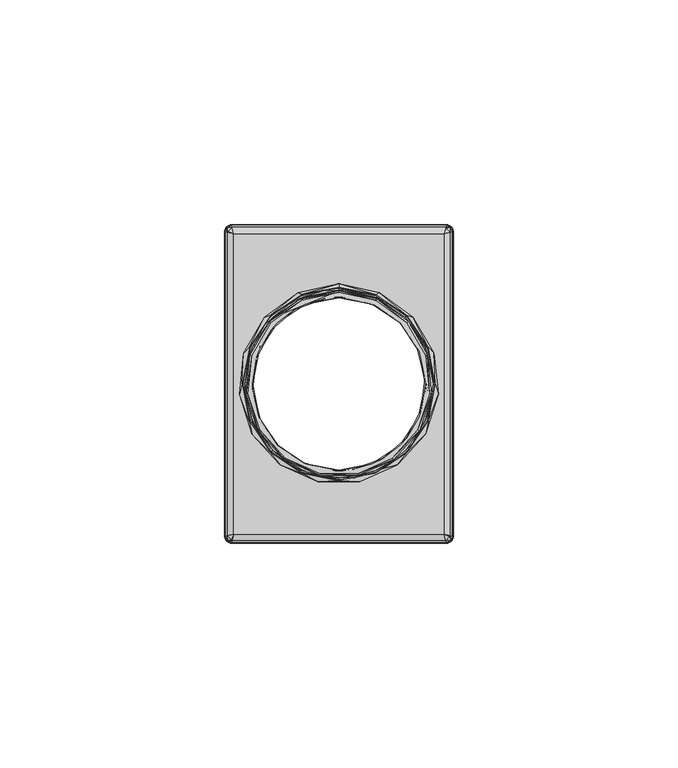
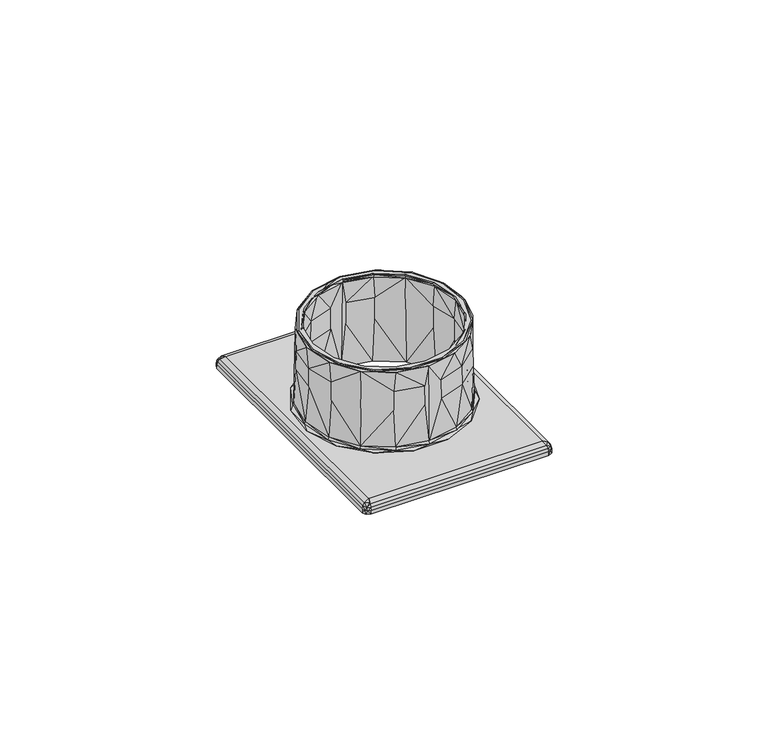
"""IFC4 building model written with IfcOpenShell, lengths in millimetres: furniture geometry."""

from ifc_helpers import new_model, si_unit, origin, place, context, project, spatial, triangles, source, transform, mapped, element, save


def furniture_6248b655(model_context):
    return source(origin(), model_context, "Body", "Tessellation", [
        triangles([(3230.5408304, 1910.584134, 765.1670305), (3230.5408304, 1910.5931451, 765.5000044), (3227.4238331, 1910.3281177, 765.0710335), (3223.1668255, 1909.1271372, 765.5000044), (3220.8238363, 1907.9521362, 765.0710335), (3216.9148452, 1904.9511203, 765.5000044), (3215.5128233, 1903.3701485, 765.0710335), (3212.7348315, 1898.7011384, 765.5000044), (3212.1928588, 1897.1911288, 765.0710335), (3211.2648267, 1891.3271336, 765.5000044), (3211.30683, 1890.2321423, 765.0710335), (3212.7278552, 1883.9511303, 765.5000044), (3212.9698462, 1883.4181323, 765.0710335), (3216.9008563, 1877.6961342, 765.5000044), (3216.9628438, 1877.6501341, 765.0710335), (3222.7558405, 1873.6951429, 765.0710335), (3216.9228389, 1877.7111406, 764.4999928), (3223.1628287, 1873.5371221, 764.4999928), (3229.5808236, 1872.0761284, 765.0710335), (3230.5408304, 1872.0581426, 764.8329666), (3230.5408304, 1872.0501489, 765.1670305), (3230.5408304, 1872.0411378, 765.5000044), (3223.1508381, 1873.514122, 765.5000044), (3230.5408304, 1872.0671173, 764.4999928), (3212.7548521, 1883.9541461, 764.4999928), (3211.2908426, 1891.3171415, 764.4999928), (3212.7548521, 1898.6801368, 764.4999928), (3216.9228389, 1904.9231424, 764.4999928), (3223.1628287, 1909.0971245, 764.4999928), (3230.5408304, 1910.5671292, 764.4999928), (3230.5408304, 1910.5761403, 764.8329666), (3233.6578276, 1872.3061289, 765.0710335), (3237.9148352, 1873.5071457, 765.5000044), (3240.2578245, 1874.6821467, 765.0710335), (3244.1668519, 1877.6831263, 765.5000044), (3245.5688375, 1879.2641344, 765.0710335), (3248.3468293, 1883.9331445, 765.5000044), (3248.8888384, 1885.4431177, 765.0710335), (3249.816834, 1891.3071493, 765.5000044), (3249.7748308, 1892.4021406, 765.0710335), (3248.3538419, 1898.6831163, 765.5000044), (3248.1118509, 1899.2161142, 765.0710335), (3244.1808408, 1904.9381487, 765.5000044), (3244.1188533, 1904.9841488, 765.0710335), (3238.3258567, 1908.93914, 765.0710335), (3244.1588582, 1904.9231424, 764.4999928), (3237.9188321, 1909.0971245, 764.4999928), (3231.5008372, 1910.5581182, 765.0710335), (3237.9308226, 1909.1201245, 765.5000044), (3248.326845, 1898.6801368, 764.4999928), (3249.7908545, 1891.3171415, 764.4999928), (3248.326845, 1883.9541461, 764.4999928), (3244.1588582, 1877.7111406, 764.4999928), (3237.9188321, 1873.5371221, 764.4999928), (3205.0408244, 1857.3161282, 740.0000347), (3205.0688387, 1857.3441425, 741.0520054), (3205.0408244, 1925.3181184, 740.0000347), (3205.0688387, 1925.2901405, 741.0520054), (3238.8448293, 1909.9681469, 765.5000044), (3230.6138274, 1912.0861499, 765.3540104), (3230.5408304, 1911.7331191, 765.5000044), (3222.1268454, 1910.306135, 765.3540104), (3222.2368314, 1909.9681469, 765.5000044), (3215.1308335, 1905.2421272, 765.3540104), (3215.3688277, 1904.9781172, 765.5000044), (3210.7988305, 1897.7701269, 765.3540104), (3211.123847, 1897.6261314, 765.5000044), (3209.8808269, 1889.1831147, 765.3540104), (3210.2368372, 1889.1831147, 765.5000044), (3212.5358247, 1880.9641397, 765.3540104), (3212.8598239, 1881.1091163, 765.5000044), (3218.3028419, 1874.5361163, 765.3540104), (3218.5408361, 1874.8001264, 765.5000044), (3226.1868447, 1871.009115, 765.3540104), (3226.2958497, 1871.3471395, 765.5000044), (3234.8228365, 1870.994145, 765.3540104), (3234.7858474, 1871.3471395, 765.5000044), (3242.7188298, 1874.493132, 765.3540104), (3242.5408247, 1874.8001264, 765.5000044), (3248.508847, 1880.9001174, 765.3540104), (3248.2218369, 1881.1091163, 765.5000044), (3251.1928402, 1889.1091367, 765.3540104), (3250.8448236, 1889.1831147, 765.5000044), (3250.3048493, 1897.7001457, 765.3540104), (3249.9578501, 1897.6261314, 765.5000044), (3245.9998432, 1905.1871161, 765.3540104), (3245.7128331, 1904.9781172, 765.5000044), (3239.0218534, 1910.2761223, 765.3540104), (3238.5448476, 1910.6411436, 765.0089733), (3230.5408304, 1912.2331249, 765.0089733), (3222.5368495, 1910.6411436, 765.0089733), (3215.7508538, 1906.107118, 765.0089733), (3211.2168282, 1899.3211224, 765.0089733), (3209.6248469, 1891.3171415, 765.0089733), (3211.2168282, 1883.3131242, 765.0089733), (3215.7508538, 1876.5271285, 765.0089733), (3222.5368495, 1871.9931393, 765.0089733), (3230.5408304, 1870.4011216, 765.0089733), (3238.5448476, 1871.9931393, 765.0089733), (3245.3308433, 1876.5271285, 765.0089733), (3249.8648326, 1883.3131242, 765.0089733), (3251.4568502, 1891.3171415, 765.0089733), (3249.8648326, 1899.3211224, 765.0089733), (3245.3308433, 1906.107118, 765.0089733), (3230.5408304, 1870.2181386, 754.4960249), (3230.5408304, 1870.0341382, 743.9830038), (3233.9538488, 1870.4961376, 754.4960249), (3238.6858274, 1871.6541338, 743.9830038), (3241.1828407, 1873.0981227, 754.4960249), (3245.5898391, 1876.2681327, 743.9830038), (3246.9998548, 1878.1161304, 754.4960249), (3250.203838, 1883.1721444, 743.9830038), (3250.6358247, 1884.8841402, 754.4960249), (3251.8238336, 1891.3171415, 743.9830038), (3251.6068411, 1892.505114, 754.4960249), (3250.203838, 1899.4621385, 743.9830038), (3249.7848229, 1899.9681396, 754.4960249), (3245.5898391, 1906.3661139, 743.9830038), (3245.411834, 1906.2851232, 754.4960249), (3239.0668361, 1910.6171262, 754.4960249), (3239.0298471, 1910.5331197, 759.7520267), (3245.3468307, 1906.2201199, 759.7520267), (3231.5868421, 1912.2991456, 759.7520267), (3230.5408304, 1912.4161443, 754.4960249), (3231.5918563, 1912.3901284, 754.4960249), (3230.5408304, 1912.6001447, 743.9830038), (3238.6858274, 1910.9801491, 743.9830038), (3249.7008527, 1899.9311142, 759.7520267), (3251.5148409, 1892.5001361, 759.7520267), (3250.5478577, 1884.9121182, 759.7520267), (3246.9288562, 1878.17314, 759.7520267), (3241.1368406, 1873.177115, 759.7520267), (3233.9398235, 1870.5861394, 759.7520267), (3227.1278483, 1912.1381453, 754.4960249), (3222.3958334, 1910.9801491, 743.9830038), (3219.8988564, 1909.5361239, 754.4960249), (3215.491858, 1906.3661139, 743.9830038), (3214.0818423, 1904.5181162, 754.4960249), (3210.8778227, 1899.4621385, 743.9830038), (3210.445836, 1897.7501427, 754.4960249), (3209.2578272, 1891.3171415, 743.9830038), (3209.4748561, 1890.1291326, 754.4960249), (3210.8778227, 1883.1721444, 743.9830038), (3211.2968379, 1882.6661433, 754.4960249), (3215.491858, 1876.2681327, 743.9830038), (3215.6698268, 1876.3491234, 754.4960249), (3222.0148246, 1872.0171204, 754.4960249), (3222.05185, 1872.1011269, 759.7520267), (3215.7348301, 1876.4141267, 759.7520267), (3229.494855, 1870.3351373, 759.7520267), (3229.4898408, 1870.2441181, 754.4960249), (3222.3958334, 1871.6541338, 743.9830038), (3211.3808444, 1882.7031324, 759.7520267), (3209.5668563, 1890.1341468, 759.7520267), (3210.5338394, 1897.7221284, 759.7520267), (3214.1528409, 1904.4611429, 759.7520267), (3219.9448565, 1909.4571316, 759.7520267), (3227.1418373, 1912.0481435, 759.7520267), (3221.4778298, 1911.67313, 742.9999969), (3222.3188395, 1911.2651244, 743.2930023), (3230.5408304, 1913.60012, 742.9999969), (3230.5408304, 1912.8931501, 743.2930023), (3238.8318577, 1911.2361291, 743.2930023), (3215.310837, 1906.6001475, 743.2930023), (3213.9818484, 1906.2271325, 742.9999969), (3210.6218427, 1899.6081325, 743.2930023), (3209.3488463, 1898.203131, 742.9999969), (3208.9648581, 1891.3541305, 743.2930023), (3208.3798284, 1888.9881412, 742.9999969), (3210.5928474, 1883.0951142, 743.2930023), (3211.2438251, 1880.1761427, 742.9999969), (3215.2578243, 1876.0871481, 743.2930023), (3217.4438464, 1873.2901168, 742.9999969), (3222.2498394, 1871.3981175, 743.2930023), (3225.9078283, 1869.5211245, 742.9999969), (3230.4648539, 1869.7421139, 743.2930023), (3235.1738325, 1869.5211245, 742.9999969), (3243.6378507, 1873.2901168, 742.9999969), (3249.8378357, 1880.1761427, 742.9999969), (3245.7708237, 1876.0341354, 743.2930023), (3238.7628576, 1871.3691221, 743.2930023), (3250.4598544, 1883.0261141, 743.2930023), (3252.7018324, 1888.9881412, 742.9999969), (3252.116839, 1891.2801161, 743.2930023), (3251.7328508, 1898.203131, 742.9999969), (3250.4888497, 1899.5391323, 743.2930023), (3247.0998487, 1906.2271325, 742.9999969), (3245.8238365, 1906.5471348, 743.2930023), (3239.603831, 1911.67313, 742.9999969), (3205.2698438, 1856.5951329, 741.0669754), (3205.2398311, 1857.3871267, 741.8109707), (3205.7048463, 1856.3641151, 741.8289928), (3205.6828273, 1857.4981301, 742.4429815), (3206.5548308, 1856.6791394, 742.6080151), (3207.0678445, 1857.8441483, 742.9999969), (3206.7218264, 1856.4591311, 742.4429815), (3206.610823, 1856.0161348, 741.8109707), (3205.8188292, 1856.0461476, 741.0669754), (3206.5678387, 1855.8451424, 741.0520054), (3254.0138526, 1924.7901346, 742.9999969), (3254.3598344, 1926.1751155, 742.4429815), (3207.0678445, 1924.7901346, 742.9999969), (3206.7218264, 1926.1751155, 742.4429815), (3206.610823, 1926.6181481, 741.8109707), (3254.4708377, 1926.6181481, 741.8109707), (3206.5678387, 1926.7891405, 741.0520054), (3254.5138584, 1926.7891405, 741.0520054), (3254.0138526, 1857.8441483, 742.9999969), (3256.0128585, 1925.2901405, 741.0520054), (3255.8118533, 1926.03915, 741.0669754), (3255.8418296, 1925.2471198, 741.8109707), (3255.3768508, 1926.2701315, 741.8289928), (3255.3988334, 1925.1361164, 742.4429815), (3254.52683, 1925.9551435, 742.6080151), (3255.2628316, 1926.5881354, 741.0669754), (3223.0668316, 1909.3281424, 764.4999928), (3230.5408304, 1910.817114, 764.4999928), (3238.0148291, 1909.3281424, 764.4999928), (3244.3358459, 1905.099149, 764.4999928), (3248.5578266, 1898.7751165, 764.4999928), (3250.0408393, 1891.3171415, 764.4999928), (3248.5578266, 1883.8591301, 764.4999928), (3244.3358459, 1877.5351339, 764.4999928), (3238.0148291, 1873.3061405, 764.4999928), (3230.5408304, 1871.8171326, 764.4999928), (3223.0668316, 1873.3061405, 764.4999928), (3216.7458512, 1877.5351339, 764.4999928), (3212.5238342, 1883.8591301, 764.4999928), (3211.0408579, 1891.3171415, 764.4999928), (3212.5238342, 1898.7751165, 764.4999928), (3216.7458512, 1905.099149, 764.4999928), (3238.1778279, 1872.9111428, 740.0000347), (3254.5418363, 1855.8171281, 740.0000347), (3230.5408304, 1871.3891427, 740.0000347), (3206.5398245, 1855.8171281, 740.0000347), (3222.9038329, 1872.9111428, 740.0000347), (3216.4438347, 1877.2321364, 740.0000347), (3212.1288365, 1883.695114, 740.0000347), (3210.6128317, 1891.3171415, 740.0000347), (3212.1288365, 1898.9391326, 740.0000347), (3216.4438347, 1905.4021465, 740.0000347), (3206.5398245, 1926.8171185, 740.0000347), (3222.9038329, 1909.7231401, 740.0000347), (3230.5408304, 1911.2451402, 740.0000347), (3254.5418363, 1926.8171185, 740.0000347), (3238.1778279, 1909.7231401, 740.0000347), (3244.637826, 1905.4021465, 740.0000347), (3256.0408364, 1925.3181184, 740.0000347), (3248.9528243, 1898.9391326, 740.0000347), (3250.4688291, 1891.3171415, 740.0000347), (3256.0408364, 1857.3161282, 740.0000347), (3248.9528243, 1883.695114, 740.0000347), (3244.637826, 1877.2321364, 740.0000347), (3205.4798237, 1926.3781191, 740.0000347), (3255.601837, 1926.3781191, 740.0000347), (3255.601837, 1856.2561275, 740.0000347), (3205.4798237, 1856.2561275, 740.0000347), (3205.2398311, 1925.2471198, 741.8109707), (3205.6828273, 1925.1361164, 742.4429815), (3205.8188292, 1926.5881354, 741.0669754), (3205.5878477, 1926.1531328, 741.8289928), (3205.9028357, 1925.3031484, 742.6080151), (3205.2698438, 1926.03915, 741.0669754), (3256.0128585, 1857.3441425, 741.0520054), (3255.8118533, 1856.5951329, 741.0669754), (3255.2628316, 1856.0461476, 741.0669754), (3254.5138584, 1855.8451424, 741.0520054), (3254.4708377, 1856.0161348, 741.8109707), (3255.4938494, 1856.4811501, 741.8289928), (3254.3598344, 1856.4591311, 742.4429815), (3255.1788251, 1857.3311345, 742.6080151), (3255.3988334, 1857.4981301, 742.4429815), (3255.8418296, 1857.3871267, 741.8109707), (3230.5408304, 1911.0311271, 752.2500137), (3227.3688583, 1910.6661421, 758.3750032), (3220.6518264, 1908.24714, 758.3750032), (3215.2458337, 1903.5841252, 758.3750032), (3211.8678423, 1897.2951196, 758.3750032), (3210.9648451, 1890.2131391, 758.3750032), (3212.6578376, 1883.2781336, 758.3750032), (3216.7218338, 1877.4081431, 758.3750032), (3222.6178402, 1873.382117, 758.3750032), (3222.5748559, 1873.2841215, 752.2500137), (3216.6468383, 1877.3321303, 752.2500137), (3229.5588409, 1871.628118, 752.2500137), (3230.5408304, 1871.6031195, 752.2500137), (3229.5638551, 1871.7341435, 758.3750032), (3212.5608232, 1883.2341319, 752.2500137), (3210.8578385, 1890.2071438, 752.2500137), (3211.7658499, 1897.3281481, 752.2500137), (3215.1618272, 1903.651127, 752.2500137), (3220.5978326, 1908.3401213, 752.2500137), (3227.3518535, 1910.7711139, 752.2500137), (3233.7128388, 1871.9681408, 758.3750032), (3240.4298343, 1874.3871429, 758.3750032), (3245.835827, 1879.0501213, 758.3750032), (3249.2138549, 1885.339127, 758.3750032), (3250.1168521, 1892.4211438, 758.3750032), (3248.4238231, 1899.3561493, 758.3750032), (3244.359827, 1905.2261398, 758.3750032), (3238.4638569, 1909.2521296, 758.3750032), (3238.5068412, 1909.350125, 752.2500137), (3244.4348588, 1905.3021163, 752.2500137), (3231.5228562, 1911.0061286, 752.2500137), (3231.517842, 1910.9001394, 758.3750032), (3248.5208376, 1899.4001146, 752.2500137), (3250.2238586, 1892.4271391, 752.2500137), (3249.3158472, 1885.3061348, 752.2500137), (3245.9198335, 1878.9831196, 752.2500137), (3240.4838281, 1874.2941253, 752.2500137), (3233.7298436, 1871.8631327, 752.2500137)], [[3, 1, 2], [4, 3, 2], [3, 4, 5], [6, 5, 4], [5, 6, 7], [8, 7, 6], [7, 8, 9], [10, 9, 8], [9, 10, 11], [12, 11, 10], [11, 12, 13], [14, 13, 12], [13, 14, 15], [16, 15, 14], [17, 15, 16], [17, 16, 18], [19, 18, 16], [18, 19, 20], [20, 19, 21], [22, 21, 19], [22, 19, 23], [16, 23, 19], [23, 16, 14], [20, 24, 18], [15, 17, 13], [25, 13, 17], [13, 25, 11], [26, 11, 25], [11, 26, 9], [27, 9, 26], [9, 27, 7], [28, 7, 27], [7, 28, 5], [29, 5, 28], [5, 29, 3], [30, 3, 29], [3, 30, 31], [31, 1, 3], [32, 21, 22], [33, 32, 22], [32, 33, 34], [35, 34, 33], [34, 35, 36], [37, 36, 35], [36, 37, 38], [39, 38, 37], [38, 39, 40], [41, 40, 39], [40, 41, 42], [43, 42, 41], [42, 43, 44], [45, 44, 43], [46, 44, 45], [46, 45, 47], [48, 47, 45], [47, 48, 31], [31, 48, 1], [2, 1, 48], [2, 48, 49], [45, 49, 48], [49, 45, 43], [31, 30, 47], [44, 46, 42], [50, 42, 46], [42, 50, 40], [51, 40, 50], [40, 51, 38], [52, 38, 51], [38, 52, 36], [53, 36, 52], [36, 53, 34], [54, 34, 53], [34, 54, 32], [24, 32, 54], [32, 24, 20], [20, 21, 32], [55, 56, 57], [57, 56, 58], [59, 60, 61], [62, 61, 60], [61, 62, 63], [64, 63, 62], [63, 64, 65], [66, 65, 64], [65, 66, 67], [68, 67, 66], [67, 68, 69], [70, 69, 68], [69, 70, 71], [72, 71, 70], [71, 72, 73], [74, 73, 72], [73, 74, 75], [76, 75, 74], [75, 76, 77], [78, 77, 76], [77, 78, 79], [80, 79, 78], [79, 80, 81], [82, 81, 80], [81, 82, 83], [84, 83, 82], [83, 84, 85], [86, 85, 84], [85, 86, 87], [88, 87, 86], [87, 88, 59], [60, 59, 88], [89, 90, 60], [60, 90, 91], [60, 91, 92], [93, 64, 92], [62, 92, 64], [92, 62, 60], [64, 93, 66], [94, 66, 93], [66, 94, 68], [95, 68, 94], [68, 95, 70], [96, 70, 95], [70, 96, 72], [97, 72, 96], [72, 97, 74], [98, 74, 97], [74, 98, 76], [99, 76, 98], [76, 99, 78], [100, 78, 99], [78, 100, 80], [101, 80, 100], [80, 101, 82], [102, 82, 101], [82, 102, 84], [103, 84, 102], [84, 103, 86], [104, 86, 103], [86, 104, 88], [89, 88, 104], [88, 89, 60], [107, 105, 106], [107, 106, 108], [107, 108, 109], [109, 108, 110], [109, 110, 111], [111, 110, 112], [111, 112, 113], [113, 112, 114], [113, 114, 115], [115, 114, 116], [115, 116, 117], [117, 116, 118], [117, 118, 119], [120, 119, 118], [119, 120, 121], [119, 121, 122], [104, 122, 121], [104, 121, 89], [89, 121, 123], [89, 123, 90], [90, 123, 124], [124, 123, 125], [126, 124, 125], [126, 125, 127], [127, 125, 120], [127, 120, 118], [122, 104, 128], [128, 104, 103], [128, 103, 129], [129, 103, 102], [129, 102, 130], [130, 102, 101], [130, 101, 131], [131, 101, 100], [131, 100, 132], [132, 100, 99], [132, 99, 133], [133, 99, 98], [105, 133, 98], [133, 105, 107], [132, 133, 107], [132, 107, 109], [121, 120, 125], [121, 125, 123], [117, 119, 122], [117, 122, 128], [115, 117, 128], [115, 128, 129], [113, 115, 129], [113, 129, 130], [132, 109, 111], [132, 111, 131], [131, 111, 113], [131, 113, 130], [134, 124, 126], [134, 126, 135], [134, 135, 136], [136, 135, 137], [136, 137, 138], [138, 137, 139], [138, 139, 140], [140, 139, 141], [140, 141, 142], [142, 141, 143], [142, 143, 144], [144, 143, 145], [144, 145, 146], [147, 146, 145], [146, 147, 148], [146, 148, 149], [96, 149, 148], [96, 148, 97], [97, 148, 150], [97, 150, 98], [98, 150, 105], [105, 150, 151], [106, 105, 151], [106, 151, 152], [152, 151, 147], [152, 147, 145], [149, 96, 153], [153, 96, 95], [153, 95, 154], [154, 95, 94], [154, 94, 155], [155, 94, 93], [155, 93, 156], [156, 93, 92], [156, 92, 157], [157, 92, 91], [157, 91, 158], [158, 91, 90], [124, 158, 90], [158, 124, 134], [157, 158, 134], [157, 134, 136], [148, 147, 151], [148, 151, 150], [144, 146, 149], [144, 149, 153], [142, 144, 153], [142, 153, 154], [140, 142, 154], [140, 154, 155], [157, 136, 138], [157, 138, 156], [156, 138, 140], [156, 140, 155], [23, 75, 22], [77, 22, 75], [22, 77, 33], [79, 33, 77], [33, 79, 35], [81, 35, 79], [35, 81, 37], [83, 37, 81], [37, 83, 39], [85, 39, 83], [39, 85, 41], [87, 41, 85], [41, 87, 43], [59, 43, 87], [43, 59, 49], [61, 49, 59], [49, 61, 2], [4, 2, 61], [63, 4, 61], [4, 63, 6], [65, 6, 63], [6, 65, 8], [67, 8, 65], [8, 67, 10], [69, 10, 67], [10, 69, 12], [71, 12, 69], [12, 71, 14], [73, 14, 71], [14, 73, 23], [75, 23, 73], [159, 160, 161], [161, 160, 162], [161, 162, 163], [163, 162, 127], [163, 127, 118], [160, 159, 164], [165, 164, 159], [164, 165, 166], [167, 166, 165], [166, 167, 168], [169, 168, 167], [168, 169, 170], [171, 170, 169], [170, 171, 172], [173, 172, 171], [172, 173, 174], [175, 174, 173], [174, 175, 176], [177, 176, 175], [176, 177, 178], [179, 180, 178], [181, 178, 180], [178, 181, 176], [176, 181, 106], [176, 106, 152], [180, 179, 182], [183, 182, 179], [182, 183, 184], [185, 184, 183], [184, 185, 186], [187, 186, 185], [186, 187, 188], [189, 188, 187], [188, 189, 163], [161, 163, 189], [127, 162, 126], [126, 162, 160], [126, 160, 135], [164, 135, 160], [135, 164, 137], [166, 137, 164], [137, 166, 139], [168, 139, 166], [139, 168, 141], [170, 141, 168], [141, 170, 143], [172, 143, 170], [143, 172, 145], [174, 145, 172], [145, 174, 152], [176, 152, 174], [163, 118, 188], [188, 118, 116], [188, 116, 186], [186, 116, 114], [186, 114, 184], [184, 114, 112], [184, 112, 182], [182, 112, 110], [182, 110, 180], [180, 110, 108], [180, 108, 181], [181, 108, 106], [56, 190, 191], [191, 190, 192], [191, 192, 193], [193, 192, 194], [193, 194, 195], [195, 194, 196], [196, 194, 192], [196, 192, 197], [197, 192, 198], [197, 198, 199], [190, 198, 192], [202, 200, 201], [203, 202, 201], [204, 203, 201], [204, 201, 205], [206, 204, 205], [206, 205, 207], [200, 183, 208], [208, 183, 179], [208, 179, 178], [202, 161, 200], [200, 161, 189], [200, 189, 187], [195, 169, 202], [202, 169, 167], [202, 167, 165], [208, 175, 195], [195, 175, 173], [195, 173, 171], [200, 187, 185], [200, 185, 183], [208, 178, 177], [208, 177, 175], [195, 171, 169], [165, 159, 202], [202, 159, 161], [209, 210, 211], [211, 210, 212], [211, 212, 213], [213, 212, 214], [213, 214, 200], [200, 214, 201], [201, 214, 212], [201, 212, 205], [205, 212, 215], [205, 215, 207], [210, 215, 212], [216, 217, 30], [218, 30, 217], [30, 218, 47], [219, 47, 218], [47, 219, 46], [220, 46, 219], [46, 220, 50], [221, 50, 220], [50, 221, 51], [52, 51, 221], [222, 52, 221], [53, 52, 222], [223, 53, 222], [54, 53, 223], [224, 54, 223], [24, 54, 224], [225, 24, 224], [226, 24, 225], [24, 226, 18], [227, 18, 226], [18, 227, 17], [228, 17, 227], [17, 228, 25], [229, 25, 228], [25, 229, 26], [27, 26, 229], [230, 27, 229], [28, 27, 230], [231, 28, 230], [29, 28, 231], [216, 29, 231], [30, 29, 216], [234, 232, 233], [235, 234, 233], [234, 235, 236], [236, 235, 237], [237, 235, 55], [238, 237, 55], [239, 238, 55], [57, 239, 55], [239, 57, 240], [240, 57, 241], [241, 57, 242], [241, 242, 243], [244, 243, 242], [245, 244, 242], [244, 245, 246], [246, 245, 247], [247, 245, 248], [249, 247, 248], [250, 249, 248], [251, 250, 248], [250, 251, 252], [252, 251, 253], [253, 251, 233], [253, 233, 232], [57, 254, 242], [245, 255, 248], [251, 256, 233], [235, 257, 55], [56, 191, 58], [58, 191, 258], [258, 191, 259], [259, 191, 193], [259, 193, 195], [195, 202, 259], [206, 260, 204], [204, 260, 261], [204, 261, 203], [203, 261, 262], [203, 262, 202], [202, 262, 259], [259, 262, 261], [259, 261, 258], [258, 261, 263], [258, 263, 58], [260, 263, 261], [251, 264, 265], [251, 265, 256], [256, 265, 266], [256, 266, 233], [233, 266, 267], [267, 266, 268], [268, 266, 269], [268, 269, 270], [270, 269, 271], [270, 271, 208], [208, 271, 272], [272, 271, 269], [272, 269, 273], [273, 269, 265], [273, 265, 264], [266, 265, 269], [199, 267, 197], [197, 267, 268], [197, 268, 196], [196, 268, 270], [196, 270, 208], [208, 195, 196], [233, 267, 199], [233, 199, 235], [235, 199, 198], [235, 198, 257], [257, 198, 190], [257, 190, 55], [55, 190, 56], [57, 58, 263], [57, 263, 254], [254, 263, 260], [254, 260, 242], [242, 260, 206], [206, 207, 245], [242, 206, 245], [264, 209, 273], [273, 209, 211], [273, 211, 272], [272, 211, 213], [272, 213, 200], [200, 208, 272], [248, 209, 264], [248, 264, 251], [245, 207, 215], [245, 215, 255], [255, 215, 210], [255, 210, 248], [248, 210, 209], [274, 217, 275], [275, 217, 216], [275, 216, 276], [276, 216, 231], [276, 231, 277], [277, 231, 230], [277, 230, 278], [278, 230, 229], [278, 229, 279], [279, 229, 228], [279, 228, 280], [280, 228, 227], [280, 227, 281], [282, 281, 227], [281, 282, 283], [281, 283, 284], [237, 284, 283], [237, 283, 236], [236, 283, 285], [236, 285, 234], [234, 285, 286], [286, 285, 287], [286, 287, 225], [225, 287, 226], [226, 287, 282], [226, 282, 227], [284, 237, 288], [288, 237, 238], [288, 238, 289], [289, 238, 239], [289, 239, 290], [290, 239, 240], [290, 240, 291], [291, 240, 241], [291, 241, 292], [292, 241, 243], [292, 243, 293], [293, 243, 244], [293, 244, 274], [293, 274, 275], [282, 287, 285], [282, 285, 283], [280, 281, 284], [280, 284, 288], [279, 280, 288], [279, 288, 289], [278, 279, 289], [278, 289, 290], [277, 278, 290], [277, 290, 291], [293, 275, 276], [293, 276, 292], [292, 276, 277], [292, 277, 291], [286, 225, 294], [294, 225, 224], [294, 224, 295], [295, 224, 223], [295, 223, 296], [296, 223, 222], [296, 222, 297], [297, 222, 221], [297, 221, 298], [298, 221, 220], [298, 220, 299], [299, 220, 219], [299, 219, 300], [301, 300, 219], [300, 301, 302], [300, 302, 303], [247, 303, 302], [247, 302, 246], [246, 302, 304], [246, 304, 244], [244, 304, 274], [274, 304, 305], [274, 305, 217], [217, 305, 218], [218, 305, 301], [218, 301, 219], [303, 247, 306], [306, 247, 249], [306, 249, 307], [307, 249, 250], [307, 250, 308], [308, 250, 252], [308, 252, 309], [309, 252, 253], [309, 253, 310], [310, 253, 232], [310, 232, 311], [311, 232, 234], [311, 234, 286], [311, 286, 294], [301, 305, 304], [301, 304, 302], [299, 300, 303], [299, 303, 306], [298, 299, 306], [298, 306, 307], [297, 298, 307], [297, 307, 308], [296, 297, 308], [296, 308, 309], [311, 294, 295], [311, 295, 310], [310, 295, 296], [310, 296, 309]]),
    ])


if __name__ == "__main__":
    model = new_model("IFC4")
    model_context = context("Model", 3, world=origin())
    ifc_project = project(units=[si_unit("LENGTHUNIT", "METRE", prefix="MILLI")], contexts=[model_context])
    site = spatial("IfcSite", under=ifc_project)
    building = spatial("IfcBuilding", under=site)
    placement = place(None, origin())
    furniture_shape = furniture_6248b655(model_context)
    element("IfcFurniture", 1, at=placement, inside=building, context=model_context, shape_type="MappedRepresentation", body=[
        mapped(furniture_shape, transform((0.0, 0.0, 0.0), x_axis=(1.0, 0.0, 0.0), y_axis=(0.0, 1.0, 0.0), z_axis=(0.0, 0.0, 1.0))),
    ])
    save(model, "model.ifc")
